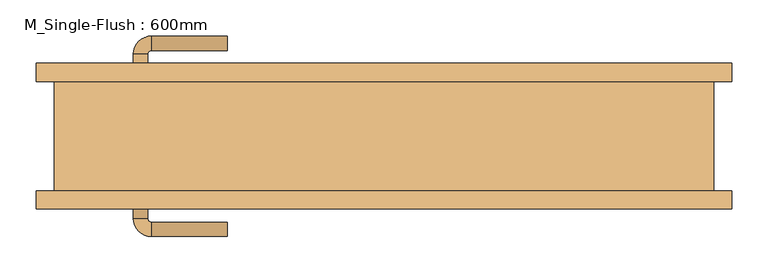
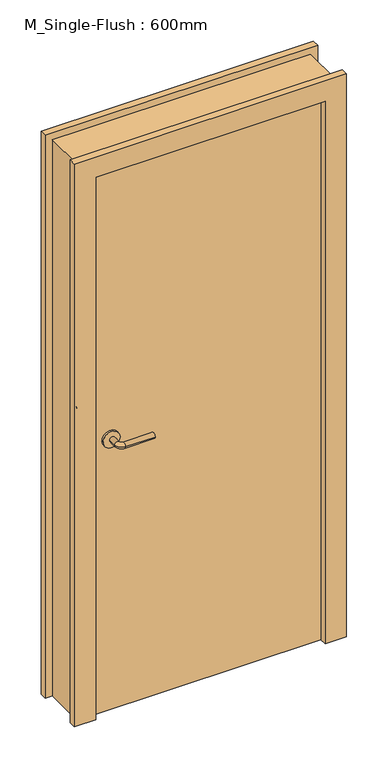
"""IFC4 building model written with IfcOpenShell, lengths in millimetres: door geometry, M_Single-Flush : 600mm."""

from ifc_helpers import new_model, si_unit, point, frame, frame_2d, origin, origin_with_axes, place, context, project, spatial, polyline, circle_curve, ellipse_curve, trimmed, segment, composite_curve, outline, extrude, source, transform, mapped, element, save
from ifc_brep_helpers import plane_surface, cylinder_surface, revolved_surface, advanced_brep


def m_single_flush_600mm_246a2a60(model_context):
    return source(origin(), model_context, "Body", "SolidModel", [
        advanced_brep(
        [(-348.9389046, 84.2, 1016.0), (-328.9389046, 84.2, 1016.0), (-348.9389046, 114.2, 1016.0), (-328.9389046, 114.2, 1016.0), (-323.9389046, 119.2, 1016.0), (-323.9389046, 139.2, 1016.0), (-218.9389046, 139.2, 1016.0), (-218.9389046, 119.2, 1016.0)],
        [
            (0, 1, circle_curve(frame((-338.9389046, 84.2, 1016.0), z_axis=(0.0, -1.0, 0.0), x_axis=(1.0, 0.0, 0.0)), 10.0)),
            (1, 0, circle_curve(frame((-338.9389046, 84.2, 1016.0), z_axis=(0.0, -1.0, 0.0), x_axis=(1.0, 0.0, 0.0)), 10.0)),
            (0, 2),
            (2, 3, circle_curve(frame((-338.9389046, 114.2, 1016.0), z_axis=(0.0, -1.0, 0.0), x_axis=(1.0, 0.0, 0.0)), 10.0)),
            (3, 1),
            (3, 2, circle_curve(frame((-338.9389046, 114.2, 1016.0), z_axis=(0.0, -1.0, 0.0), x_axis=(1.0, 0.0, 0.0)), 10.0)),
            (4, 3, circle_curve(frame((-323.9389046, 114.2, 1016.0), z_axis=(0.0, 0.0, 1.0), x_axis=(-1.0, 0.0, 0.0)), 5.0)),
            (2, 5, circle_curve(frame((-323.9389046, 114.2, 1016.0), z_axis=(0.0, 0.0, -1.0), x_axis=(-1.0, 0.0, 0.0)), 25.0)),
            (5, 4, circle_curve(frame((-323.9389046, 129.2, 1016.0), z_axis=(-1.0, 0.0, 0.0), x_axis=(0.0, -1.0, 0.0)), 10.0)),
            (4, 5, circle_curve(frame((-323.9389046, 129.2, 1016.0), z_axis=(-1.0, 0.0, 0.0), x_axis=(0.0, -1.0, 0.0)), 10.0)),
            (6, 7, circle_curve(frame((-218.9389046, 129.2, 1016.0), z_axis=(1.0, 0.0, 0.0), x_axis=(0.0, -1.0, 0.0)), 10.0)),
            (7, 6, circle_curve(frame((-218.9389046, 129.2, 1016.0), z_axis=(1.0, 0.0, 0.0), x_axis=(0.0, -1.0, 0.0)), 10.0)),
            (5, 6),
            (7, 4),
        ],
        [
            plane_surface(frame((-338.9389046, 84.2, 1016.0), z_axis=(0.0, -1.0, 0.0), x_axis=(0.0, 0.0, 1.0))),
            cylinder_surface(frame((-338.9389046, 84.2, 1016.0), z_axis=(0.0, -1.0, 0.0), x_axis=(1.0, 0.0, 0.0)), 10.0),
            revolved_surface(trimmed(ellipse_curve(frame((-338.9389046, 114.2, 1016.0), z_axis=(0.0, -1.0, 0.0), x_axis=(1.0, 0.0, 0.0)), 10.0, 10.0), [point((-348.9389046, 114.2, 1016.0))], [point((-328.9389046, 114.2, 1016.0))], True, "CARTESIAN"), (-323.9389046, 114.2, 1016.0), (0.0, 0.0, -1.0)),
            revolved_surface(trimmed(ellipse_curve(frame((-338.9389046, 114.2, 1016.0), z_axis=(0.0, -1.0, 0.0), x_axis=(1.0, 0.0, 0.0)), 10.0, 10.0), [point((-328.9389046, 114.2, 1016.0))], [point((-348.9389046, 114.2, 1016.0))], True, "CARTESIAN"), (-323.9389046, 114.2, 1016.0), (0.0, 0.0, -1.0)),
            plane_surface(frame((-218.9389046, 129.2, 1016.0), z_axis=(1.0, 0.0, 0.0), x_axis=(0.0, 0.0, 1.0))),
            cylinder_surface(frame((-323.9389046, 129.2, 1016.0), z_axis=(-1.0, 0.0, 0.0), x_axis=(0.0, -1.0, 0.0)), 10.0),
        ],
        [
            (0, [[1, 2]]),
            (1, [[-1, 3, 4, 5]]),
            (1, [[-2, -5, 6, -3]]),
            (2, [[7, -4, 8, 9]]),
            (3, [[-8, -6, -7, 10]]),
            (4, [[11, 12]]),
            (5, [[-9, 13, -12, 14]]),
            (5, [[-10, -14, -11, -13]]),
        ],
    ),
        extrude(outline(composite_curve([segment(trimmed(circle_curve(frame_2d((1016.0, -341.4389046)), 30.0), [point((1016.0, -371.4389046))], [point((1016.0, -311.4389046))], False, "CARTESIAN"), True, "CONTINUOUS"), segment(trimmed(circle_curve(frame_2d((1016.0, -341.4389046)), 30.0), [point((1016.0, -311.4389046))], [point((1016.0, -371.4389046))], False, "CARTESIAN"), True, "CONTINUOUS")], self_intersect=False)), frame((0.0, 76.2, 0.0), z_axis=(0.0, 1.0, 0.0), x_axis=(0.0, 0.0, 1.0)), (0.0, 0.0, 1.0), 8.0),
        advanced_brep(
        [(-348.9389046, -84.2, 1016.0), (-328.9389046, -84.2, 1016.0), (-328.9389046, -114.2, 1016.0), (-348.9389046, -114.2, 1016.0), (-323.9389046, -119.2, 1016.0), (-323.9389046, -139.2, 1016.0), (-218.9389046, -139.2, 1016.0), (-218.9389046, -119.2, 1016.0)],
        [
            (0, 1, circle_curve(frame((-338.9389046, -84.2, 1016.0), z_axis=(0.0, 1.0, 0.0), x_axis=(1.0, 0.0, 0.0)), 10.0)),
            (1, 0, circle_curve(frame((-338.9389046, -84.2, 1016.0), z_axis=(0.0, 1.0, 0.0), x_axis=(1.0, 0.0, 0.0)), 10.0)),
            (1, 2),
            (2, 3, circle_curve(frame((-338.9389046, -114.2, 1016.0), z_axis=(0.0, 1.0, 0.0), x_axis=(1.0, 0.0, 0.0)), 10.0)),
            (3, 0),
            (3, 2, circle_curve(frame((-338.9389046, -114.2, 1016.0), z_axis=(0.0, 1.0, 0.0), x_axis=(1.0, 0.0, 0.0)), 10.0)),
            (4, 5, circle_curve(frame((-323.9389046, -129.2, 1016.0), z_axis=(-1.0, 0.0, 0.0), x_axis=(0.0, 1.0, 0.0)), 10.0)),
            (5, 3, circle_curve(frame((-323.9389046, -114.2, 1016.0), z_axis=(0.0, 0.0, -1.0), x_axis=(-1.0, 0.0, 0.0)), 25.0)),
            (2, 4, circle_curve(frame((-323.9389046, -114.2, 1016.0), z_axis=(0.0, 0.0, 1.0), x_axis=(-1.0, 0.0, 0.0)), 5.0)),
            (5, 4, circle_curve(frame((-323.9389046, -129.2, 1016.0), z_axis=(-1.0, 0.0, 0.0), x_axis=(0.0, 1.0, 0.0)), 10.0)),
            (6, 7, circle_curve(frame((-218.9389046, -129.2, 1016.0), z_axis=(1.0, 0.0, 0.0), x_axis=(0.0, 1.0, 0.0)), 10.0)),
            (7, 6, circle_curve(frame((-218.9389046, -129.2, 1016.0), z_axis=(1.0, 0.0, 0.0), x_axis=(0.0, 1.0, 0.0)), 10.0)),
            (4, 7),
            (6, 5),
        ],
        [
            plane_surface(frame((-338.9389046, -84.2, 1016.0), z_axis=(0.0, 1.0, 0.0), x_axis=(0.0, 0.0, 1.0))),
            cylinder_surface(frame((-338.9389046, -84.2, 1016.0), z_axis=(0.0, 1.0, 0.0), x_axis=(1.0, 0.0, 0.0)), 10.0),
            revolved_surface(trimmed(ellipse_curve(frame((-338.9389046, -114.2, 1016.0), z_axis=(0.0, -1.0, 0.0), x_axis=(1.0, 0.0, 0.0)), 10.0, 10.0), [point((-348.9389046, -114.2, 1016.0))], [point((-328.9389046, -114.2, 1016.0))], True, "CARTESIAN"), (-323.9389046, -114.2, 1016.0), (0.0, 0.0, -1.0)),
            revolved_surface(trimmed(ellipse_curve(frame((-338.9389046, -114.2, 1016.0), z_axis=(0.0, -1.0, 0.0), x_axis=(1.0, 0.0, 0.0)), 10.0, 10.0), [point((-328.9389046, -114.2, 1016.0))], [point((-348.9389046, -114.2, 1016.0))], True, "CARTESIAN"), (-323.9389046, -114.2, 1016.0), (0.0, 0.0, -1.0)),
            plane_surface(frame((-218.9389046, -129.2, 1016.0), z_axis=(1.0, 0.0, 0.0), x_axis=(0.0, 0.0, 1.0))),
            cylinder_surface(frame((-323.9389046, -129.2, 1016.0), z_axis=(-1.0, 0.0, 0.0), x_axis=(0.0, 1.0, 0.0)), 10.0),
        ],
        [
            (0, [[1, 2]]),
            (1, [[3, 4, 5, -2]]),
            (1, [[-5, 6, -3, -1]]),
            (2, [[7, 8, -4, 9]]),
            (3, [[10, -9, -6, -8]]),
            (4, [[11, 12]]),
            (5, [[13, -11, 14, -7]]),
            (5, [[-14, -12, -13, -10]]),
        ],
    ),
        extrude(outline(composite_curve([segment(trimmed(circle_curve(frame_2d((1016.0, -341.4389046)), 30.0), [point((1016.0, -371.4389046))], [point((1016.0, -311.4389046))], False, "CARTESIAN"), True, "CONTINUOUS"), segment(trimmed(circle_curve(frame_2d((1016.0, -341.4389046)), 30.0), [point((1016.0, -311.4389046))], [point((1016.0, -371.4389046))], False, "CARTESIAN"), True, "CONTINUOUS")], self_intersect=False)), frame((0.0, -84.2, 0.0), z_axis=(0.0, 1.0, 0.0), x_axis=(0.0, 0.0, 1.0)), (0.0, 0.0, 1.0), 8.0),
        extrude(outline(polyline([(2108.0, -483.9482796), (0.0, -483.9482796), (0.0, -407.9482796), (2032.0, -407.9482796), (2032.0, 404.8517204), (0.0, 404.8517204), (0.0, 480.8517204), (2108.0, 480.8517204), (2108.0, -483.9482796)])), frame((0.0, -101.2, 0.0), z_axis=(0.0, 1.0, 0.0), x_axis=(0.0, 0.0, 1.0)), (0.0, 0.0, 1.0), 25.0),
        extrude(outline(polyline([(2108.0, 480.8517204), (2108.0, -483.9482796), (0.0, -483.9482796), (0.0, -407.9482796), (2032.0, -407.9482796), (2032.0, 404.8517204), (0.0, 404.8517204), (0.0, 480.8517204), (2108.0, 480.8517204)])), frame((0.0, 76.2, 0.0), z_axis=(0.0, 1.0, 0.0), x_axis=(0.0, 0.0, 1.0)), (0.0, 0.0, 1.0), 25.0),
        extrude(outline(polyline([(404.8517204, 76.2), (404.8517204, -76.2), (-407.9482796, -76.2), (-407.9482796, 76.2), (404.8517204, 76.2)])), origin_with_axes(), (0.0, 0.0, 1.0), 2032.0),
        extrude(outline(polyline([(0.0, 455.8517204), (2083.0, 455.8517204), (2083.0, -458.9482796), (0.0, -458.9482796), (0.0, -407.9482796), (2032.0, -407.9482796), (2032.0, 404.8517204), (0.0, 404.8517204), (0.0, 455.8517204)])), frame((0.0, -76.2, 0.0), z_axis=(0.0, 1.0, 0.0), x_axis=(0.0, 0.0, 1.0)), (0.0, 0.0, 1.0), 152.4),
    ])


if __name__ == "__main__":
    model = new_model("IFC4")
    model_context = context("Model", 3, world=origin())
    ifc_project = project(units=[si_unit("LENGTHUNIT", "METRE", prefix="MILLI")], contexts=[model_context])
    site = spatial("IfcSite", under=ifc_project)
    building = spatial("IfcBuilding", under=site)
    placement = place(None, origin())
    m_single_flush_600mm_shape = m_single_flush_600mm_246a2a60(model_context)
    element("IfcDoor", 1, ObjectType="M_Single-Flush : 600mm", at=placement, inside=building, context=model_context, shape_type="MappedRepresentation", body=[
        mapped(m_single_flush_600mm_shape, transform((0.0, 0.0, 0.0), x_axis=(1.0, 0.0, 0.0), y_axis=(0.0, 1.0, 0.0), z_axis=(0.0, 0.0, 1.0))),
    ])
    save(model, "model.ifc")
